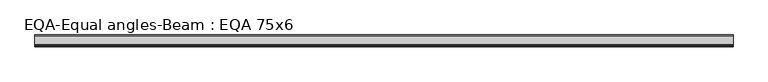
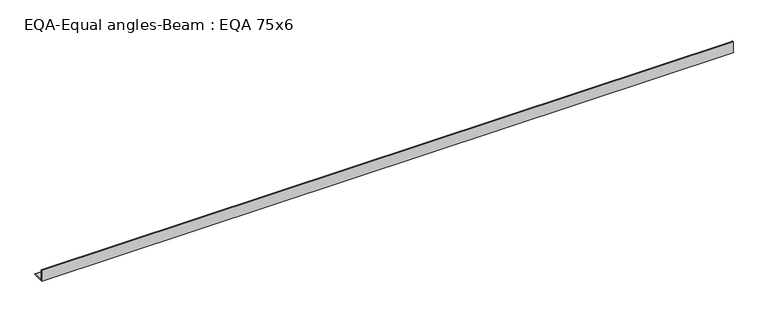
"""IFC4 building model written with IfcOpenShell, lengths in millimetres: beam geometry, EQA-Equal angles-Beam : EQA 75x6."""

from ifc_helpers import new_model, si_unit, point, frame, frame_2d, origin, place, context, project, spatial, polyline, circle_curve, trimmed, segment, composite_curve, outline, extrude, source, transform, mapped, element, save


def eqa_equal_angles_beam_eqa_75x6_120baeb3(model_context):
    return source(origin(), model_context, "Body", "SweptSolid", [
        extrude(outline(composite_curve([segment(polyline([(-20.5, -20.5), (-20.5, 54.5), (-19.0, 54.5)]), True, "CONTINUOUS"), segment(trimmed(circle_curve(frame_2d((-19.0, 50.0)), 4.5), [point((-19.0, 54.5))], [point((-14.5, 50.0))], False, "CARTESIAN"), True, "CONTINUOUS"), segment(polyline([(-14.5, 50.0), (-14.5, -5.5)]), True, "CONTINUOUS"), segment(trimmed(circle_curve(frame_2d((-5.5, -5.5)), 9.0), [point((-14.5, -5.5))], [point((-5.5, -14.5))], True, "CARTESIAN"), True, "CONTINUOUS"), segment(polyline([(-5.5, -14.5), (50.0, -14.5)]), True, "CONTINUOUS"), segment(trimmed(circle_curve(frame_2d((50.0, -19.0)), 4.5), [point((50.0, -14.5))], [point((54.5, -19.0))], False, "CARTESIAN"), True, "CONTINUOUS"), segment(polyline([(54.5, -19.0), (54.5, -20.5), (-20.5, -20.5)]), True, "CONTINUOUS")], self_intersect=False)), frame((-2237.0989104, 0.0, 0.0), z_axis=(1.0, 0.0, 0.0), x_axis=(0.0, 1.0, 0.0)), (0.0, 0.0, 1.0), 4452.1977937),
    ])


if __name__ == "__main__":
    model = new_model("IFC4")
    model_context = context("Model", 3, world=origin())
    ifc_project = project(units=[si_unit("LENGTHUNIT", "METRE", prefix="MILLI")], contexts=[model_context])
    site = spatial("IfcSite", under=ifc_project)
    building = spatial("IfcBuilding", under=site)
    placement = place(None, origin())
    eqa_equal_angles_beam_eqa_75x6_shape = eqa_equal_angles_beam_eqa_75x6_120baeb3(model_context)
    element("IfcBeam", 1, ObjectType="EQA-Equal angles-Beam : EQA 75x6", at=placement, inside=building, context=model_context, shape_type="MappedRepresentation", body=[
        mapped(eqa_equal_angles_beam_eqa_75x6_shape, transform((0.0, 0.0, 0.0), x_axis=(1.0, 0.0, 0.0), y_axis=(0.0, 1.0, 0.0), z_axis=(0.0, 0.0, 1.0))),
    ])
    save(model, "model.ifc")
